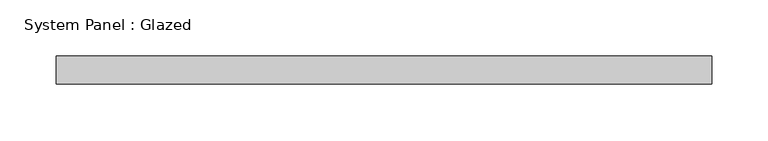
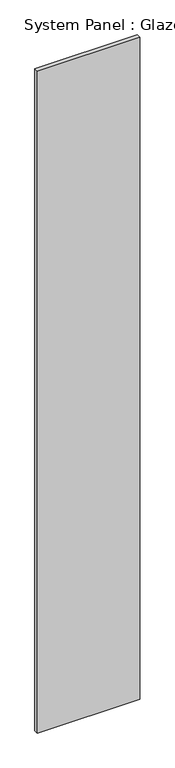
"""IFC4 building model written with IfcOpenShell, lengths in millimetres: plate geometry, System Panel : Glazed."""

from ifc_helpers import new_model, si_unit, origin, origin_with_axes, place, context, project, spatial, polyline, outline, extrude, source, transform, mapped, element, save


def system_panel_glazed_1421f33e(model_context):
    return source(origin(), model_context, "Body", "SweptSolid", [
        extrude(outline(polyline([(292.2928227, -49.5), (-292.2928227, -49.5), (-292.2928227, -24.5), (292.2928227, -24.5), (292.2928227, -49.5)])), origin_with_axes(), (0.0, 0.0, 1.0), 4000.0),
    ])


if __name__ == "__main__":
    model = new_model("IFC4")
    model_context = context("Model", 3, world=origin())
    ifc_project = project(units=[si_unit("LENGTHUNIT", "METRE", prefix="MILLI")], contexts=[model_context])
    site = spatial("IfcSite", under=ifc_project)
    building = spatial("IfcBuilding", under=site)
    placement = place(None, origin())
    system_panel_glazed_shape = system_panel_glazed_1421f33e(model_context)
    element("IfcPlate", 1, ObjectType="System Panel : Glazed", at=placement, inside=building, context=model_context, shape_type="MappedRepresentation", body=[
        mapped(system_panel_glazed_shape, transform((0.0, 0.0, 0.0), x_axis=(1.0, 0.0, 0.0), y_axis=(0.0, 1.0, 0.0), z_axis=(0.0, 0.0, 1.0))),
    ])
    save(model, "model.ifc")
